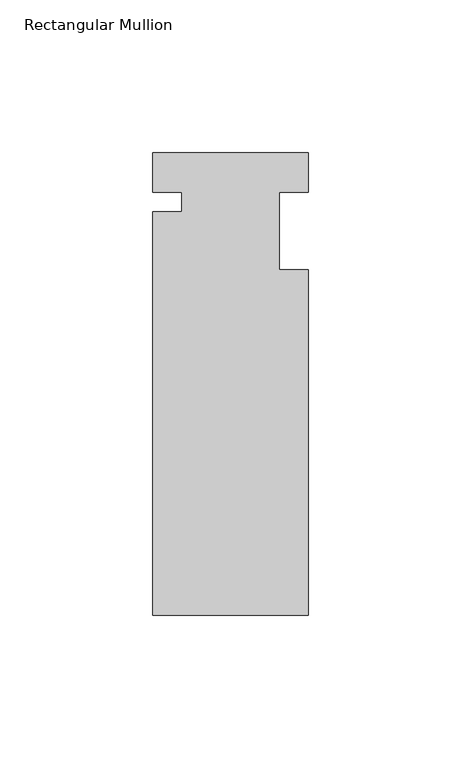
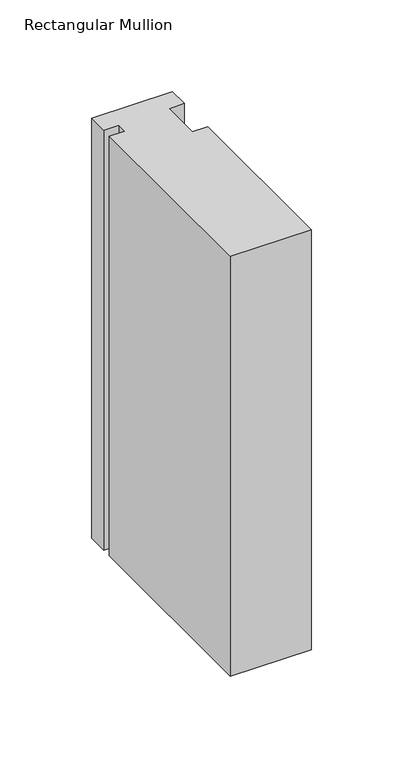
"""IFC4 building model written with IfcOpenShell, lengths in millimetres: member geometry, Rectangular Mullion."""

from ifc_helpers import new_model, si_unit, frame, origin, place, context, project, spatial, polyline, outline, extrude, source, transform, mapped, element, save


def rectangular_mullion_b79a8b7c(model_context):
    return source(origin(), model_context, "Body", "SweptSolid", [
        extrude(outline(polyline([(-25.4, 12.88415), (25.4, 12.88415), (25.4, 0.0), (15.875, 0.0), (15.875, -25.4), (25.4, -25.4), (25.4, -138.29665), (-25.4, -138.29665), (-25.4, -6.35), (-15.875, -6.35), (-15.875, 0.0), (-25.4, 0.0), (-25.4, 12.88415)])), frame((0.0, 0.0, -279.4), z_axis=(0.0, 0.0, 1.0), x_axis=(1.0, 0.0, 0.0)), (0.0, 0.0, 1.0), 279.4),
    ])


if __name__ == "__main__":
    model = new_model("IFC4")
    model_context = context("Model", 3, world=origin())
    ifc_project = project(units=[si_unit("LENGTHUNIT", "METRE", prefix="MILLI")], contexts=[model_context])
    site = spatial("IfcSite", under=ifc_project)
    building = spatial("IfcBuilding", under=site)
    placement = place(None, origin())
    rectangular_mullion_shape = rectangular_mullion_b79a8b7c(model_context)
    element("IfcMember", 1, ObjectType="Rectangular Mullion", at=placement, inside=building, context=model_context, shape_type="MappedRepresentation", body=[
        mapped(rectangular_mullion_shape, transform((0.0, 0.0, 0.0), x_axis=(1.0, 0.0, 0.0), y_axis=(0.0, 1.0, 0.0), z_axis=(0.0, 0.0, 1.0))),
    ])
    save(model, "model.ifc")
